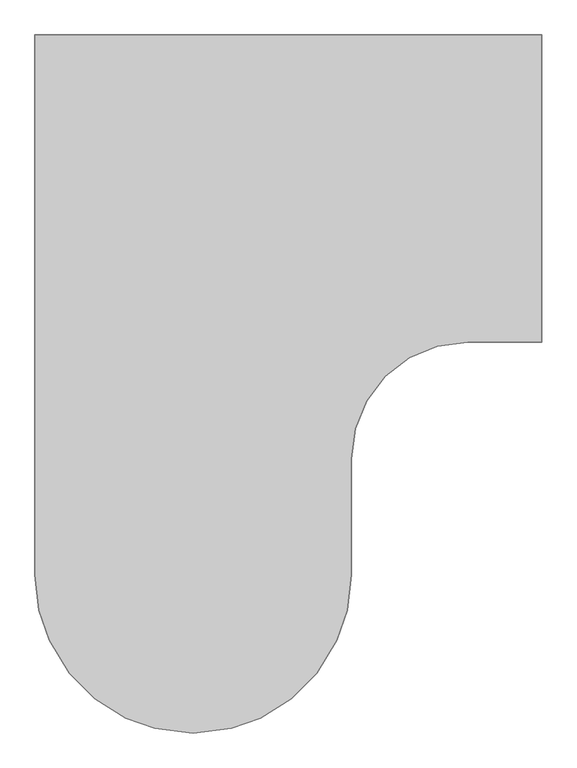
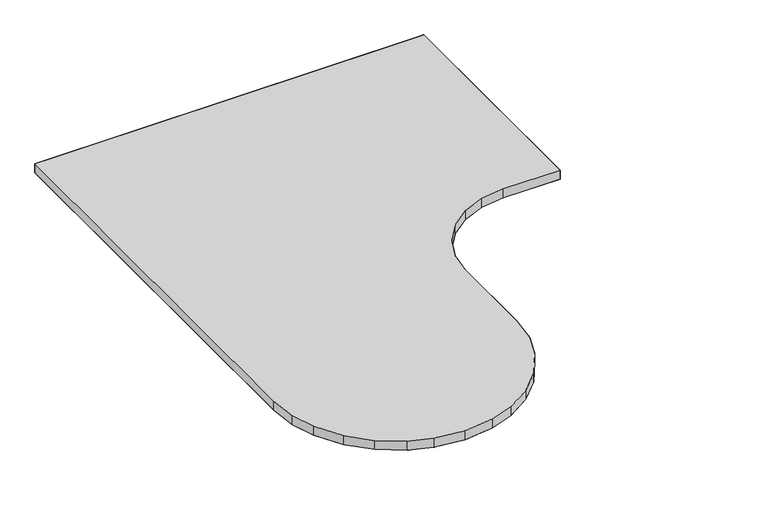
"""IFC4 building model written with IfcOpenShell, lengths in millimetres: furniture geometry."""

from ifc_helpers import new_model, si_unit, origin, place, context, project, spatial, triangles, source, transform, mapped, element, save


def furniture_019d0886(model_context):
    return source(origin(), model_context, "Body", "Tessellation", [
        triangles([(288.8816221, -1687.0157764, 736.6009689), (219.4818429, -1663.1689762, 736.6009689), (219.4818429, -1663.1689762, 707.0327883), (288.8816221, -1687.0157764, 707.0327883), (1.524, -25.4000008, 707.0327883), (1.524, -25.4000008, 736.6009689), (1217.6759651, -25.4000008, 736.6009689), (1217.6759651, -25.4000008, 707.0327883), (145.2195971, -1616.4923195, 736.6009689), (145.2195971, -1616.4923195, 707.0327883), (84.144655, -1555.3101528, 736.6009689), (84.144655, -1555.3101528, 707.0327883), (36.2624373, -1476.0904243, 736.6009689), (36.2624373, -1476.0904243, 707.0327883), (10.3366499, -1404.5546745, 736.6009689), (10.3366499, -1404.5546745, 707.0327883), (1.524, -1319.2760136, 736.6009689), (1.524, -1319.2760136, 707.0327883), (1217.6759651, -762.0, 736.6009689), (1039.8759893, -762.0, 736.6009689), (1039.8759893, -762.0, 707.0327883), (1217.6759651, -762.0, 707.0327883), (967.561944, -771.5203491, 736.6009689), (967.561944, -771.5203491, 707.0327883), (542.5181571, -1663.1689762, 736.6009689), (473.1183961, -1687.0157764, 736.6009689), (473.1183961, -1687.0157764, 707.0327883), (542.5181571, -1663.1689762, 707.0327883), (381.0, -1698.7519787, 736.6009689), (381.0, -1698.7519787, 707.0327883), (616.7803757, -1616.4923195, 736.6009689), (616.7803757, -1616.4923195, 707.0327883), (677.8553541, -1555.3101528, 736.6009689), (677.8553541, -1555.3101528, 707.0327883), (725.7375332, -1476.0904243, 736.6009689), (725.7375332, -1476.0904243, 707.0327883), (751.663349, -1404.5546745, 736.6009689), (751.663349, -1404.5546745, 707.0327883), (760.4759651, -1319.2760136, 736.6009689), (760.4759651, -1319.2760136, 707.0327883), (760.4759651, -1041.4000242, 707.0327883), (760.4759651, -1041.4000242, 736.6009689), (769.9963142, -969.0859789, 736.6009689), (769.9963142, -969.0859789, 707.0327883), (900.1760136, -799.4325262, 736.6009689), (842.3103596, -843.8343945, 736.6009689), (842.3103596, -843.8343945, 707.0327883), (900.1760136, -799.4325262, 707.0327883), (797.9084913, -901.6999758, 736.6009689), (797.9084913, -901.6999758, 707.0327883)], [[1, 2, 3], [1, 3, 4], [5, 6, 7], [5, 7, 8], [2, 9, 10], [2, 10, 3], [9, 11, 12], [9, 12, 10], [11, 13, 14], [11, 14, 12], [13, 15, 16], [13, 16, 14], [15, 17, 18], [15, 18, 16], [17, 6, 5], [17, 5, 18], [19, 20, 21], [19, 21, 22], [20, 23, 24], [20, 24, 21], [7, 19, 22], [7, 22, 8], [25, 26, 27], [25, 27, 28], [26, 29, 30], [26, 30, 27], [29, 1, 4], [29, 4, 30], [31, 25, 32], [25, 28, 32], [33, 31, 34], [31, 32, 34], [35, 33, 36], [33, 34, 36], [37, 35, 38], [35, 36, 38], [39, 37, 40], [37, 38, 40], [41, 42, 39], [41, 39, 40], [43, 42, 44], [42, 41, 44], [45, 46, 47], [45, 47, 48], [46, 49, 47], [49, 50, 47], [49, 43, 50], [43, 44, 50], [23, 45, 48], [23, 48, 24]], closed=False),
        triangles([(473.1183961, -1687.0157764, 736.6009689), (542.5181571, -1663.1689762, 736.6009689), (288.8816221, -1687.0157764, 736.6009689), (219.4818429, -1663.1689762, 736.6009689), (145.2195971, -1616.4923195, 736.6009689), (616.7803757, -1616.4923195, 736.6009689), (677.8553541, -1555.3101528, 736.6009689), (84.144655, -1555.3101528, 736.6009689), (36.2624373, -1476.0904243, 736.6009689), (725.7375332, -1476.0904243, 736.6009689), (751.663349, -1404.5546745, 736.6009689), (10.3366499, -1404.5546745, 736.6009689), (760.4759651, -1319.2760136, 736.6009689), (1.524, -1319.2760136, 736.6009689), (760.4759651, -1041.4000242, 736.6009689), (1.524, -25.4000008, 736.6009689), (769.9963142, -969.0859789, 736.6009689), (797.9084913, -901.6999758, 736.6009689), (842.3103596, -843.8343945, 736.6009689), (900.1760136, -799.4325262, 736.6009689), (219.4818429, -1663.1689762, 707.0327883), (542.5181571, -1663.1689762, 707.0327883), (473.1183961, -1687.0157764, 707.0327883), (288.8816221, -1687.0157764, 707.0327883), (616.7803757, -1616.4923195, 707.0327883), (145.2195971, -1616.4923195, 707.0327883), (84.144655, -1555.3101528, 707.0327883), (677.8553541, -1555.3101528, 707.0327883), (725.7375332, -1476.0904243, 707.0327883), (36.2624373, -1476.0904243, 707.0327883), (10.3366499, -1404.5546745, 707.0327883), (751.663349, -1404.5546745, 707.0327883), (760.4759651, -1319.2760136, 707.0327883), (1.524, -1319.2760136, 707.0327883), (760.4759651, -1041.4000242, 707.0327883), (1.524, -25.4000008, 707.0327883), (769.9963142, -969.0859789, 707.0327883), (797.9084913, -901.6999758, 707.0327883), (842.3103596, -843.8343945, 707.0327883), (900.1760136, -799.4325262, 707.0327883), (1217.6759651, -25.4000008, 707.0327883), (1217.6759651, -762.0, 707.0327883), (1039.8759893, -762.0, 707.0327883), (967.561944, -771.5203491, 707.0327883), (1039.8759893, -762.0, 736.6009689), (1217.6759651, -762.0, 736.6009689), (1217.6759651, -25.4000008, 736.6009689), (967.561944, -771.5203491, 736.6009689), (381.0, -1698.7519787, 707.0327883), (381.0, -1698.7519787, 736.6009689)], [[1, 2, 3], [2, 4, 3], [4, 2, 5], [2, 6, 5], [7, 8, 5], [7, 5, 6], [8, 7, 9], [7, 10, 9], [11, 12, 9], [11, 9, 10], [12, 11, 13], [12, 13, 14], [14, 13, 15], [14, 15, 16], [16, 15, 17], [16, 17, 18], [16, 18, 19], [16, 19, 20], [21, 22, 23], [21, 23, 24], [25, 22, 21], [25, 21, 26], [26, 27, 25], [27, 28, 25], [29, 28, 27], [29, 27, 30], [30, 31, 32], [30, 32, 29], [33, 32, 31], [33, 31, 34], [35, 33, 36], [33, 34, 36], [37, 35, 36], [37, 36, 38], [39, 38, 36], [39, 36, 40], [41, 42, 43], [41, 43, 36], [36, 43, 44], [36, 44, 40], [45, 46, 16], [46, 47, 16], [48, 45, 16], [48, 16, 20], [23, 49, 24], [1, 3, 50]], closed=False),
    ])


if __name__ == "__main__":
    model = new_model("IFC4")
    model_context = context("Model", 3, world=origin())
    ifc_project = project(units=[si_unit("LENGTHUNIT", "METRE", prefix="MILLI")], contexts=[model_context])
    site = spatial("IfcSite", under=ifc_project)
    building = spatial("IfcBuilding", under=site)
    placement = place(None, origin())
    furniture_shape = furniture_019d0886(model_context)
    element("IfcFurniture", 1, at=placement, inside=building, context=model_context, shape_type="MappedRepresentation", body=[
        mapped(furniture_shape, transform((0.0, 0.0, 0.0), x_axis=(1.0, 0.0, 0.0), y_axis=(0.0, 1.0, 0.0), z_axis=(0.0, 0.0, 1.0))),
    ])
    save(model, "model.ifc")
